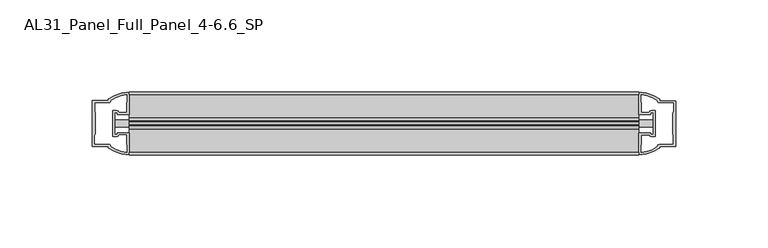
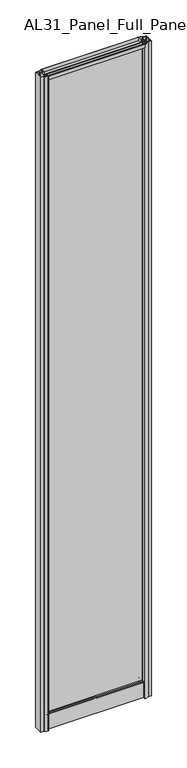
"""IFC4 building model written with IfcOpenShell, lengths in millimetres: plate geometry, AL31_Panel_Full_Panel_4-6.6_SP."""

from ifc_helpers import new_model, si_unit, point, frame, frame_2d, origin, origin_with_axes, place, context, project, spatial, polyline, circle_curve, trimmed, segment, composite_curve, outline, extrude, source, transform, mapped, element, save


def al31_panel_full_panel_4_6_6_sp_a252f88e(model_context):
    return source(origin(), model_context, "Body", "SweptSolid", [
        extrude(outline(composite_curve([segment(polyline([(-1.4, 1968.8980762), (-0.85, 1967.9454483)]), True, "CONTINUOUS"), segment(trimmed(circle_curve(frame_2d((0.1, 1966.3)), 1.9), [point((-0.85, 1967.9454483))], [point((1.05, 1967.9454483))], True, "CARTESIAN"), True, "CONTINUOUS"), segment(polyline([(1.05, 1967.9454483), (1.6, 1968.8980762)]), True, "CONTINUOUS"), segment(trimmed(circle_curve(frame_2d((0.1, 1966.3)), 3.0), [point((1.6, 1968.8980762))], [point((2.5718414, 1964.6))], False, "CARTESIAN"), True, "CONTINUOUS"), segment(polyline([(2.5718414, 1964.6), (15.7, 1964.6), (15.7, 1974.0), (17.0, 1974.0), (17.0, 1963.5), (6.7024688, 1963.5), (6.7024688, 1962.7), (6.1968782, 1960.7785039), (6.1968782, 1956.1), (5.0, 1956.1), (5.0, 1961.4339746), (5.5, 1962.3), (5.5, 1963.5), (-5.5, 1963.5), (-5.5, 1962.3), (-5.0, 1961.4339746), (-5.0, 1956.1), (-6.1968782, 1956.1), (-6.1968782, 1960.7785039), (-6.7024688, 1962.7), (-6.7024688, 1963.5), (-17.0, 1963.5), (-17.0, 1974.0), (-15.7, 1974.0), (-15.7, 1964.6), (-2.3718414, 1964.6)]), True, "CONTINUOUS"), segment(trimmed(circle_curve(frame_2d((0.1, 1966.3)), 3.0), [point((-2.3718414, 1964.6))], [point((-1.4, 1968.8980762))], False, "CARTESIAN"), True, "CONTINUOUS")], self_intersect=False)), frame((-137.8198684, 0.0, 0.0), z_axis=(1.0, 0.0, 0.0), x_axis=(0.0, 1.0, 0.0)), (0.0, 0.0, 1.0), 275.6397368),
        extrude(outline(composite_curve([segment(polyline([(-145.6612898, -5.9), (-144.4612898, -5.9), (-144.4612898, -5.0), (-137.8198684, -5.0), (-137.8198684, -17.0001453)]), True, "CONTINUOUS"), segment(trimmed(circle_curve(frame_2d((-137.4552168, 2.9965302)), 20.0), [point((-137.8198684, -17.0001453))], [point((-149.1757036, -13.2093388))], False, "CARTESIAN"), True, "CONTINUOUS"), segment(polyline([(-149.1757036, -13.2093388), (-149.1757036, -12.3279343), (-157.8198684, -12.3279343), (-157.8198684, 12.3720657), (-149.1757036, 12.3720657), (-149.1757036, 13.2095249)]), True, "CONTINUOUS"), segment(trimmed(circle_curve(frame_2d((-137.4552168, -2.9963441)), 20.0), [point((-149.1757036, 13.2095249))], [point((-137.8198684, 17.0003314))], False, "CARTESIAN"), True, "CONTINUOUS"), segment(polyline([(-137.8198684, 17.0003314), (-137.8198684, 5.0), (-144.4612898, 5.0), (-144.4612898, 5.9), (-145.6612898, 5.9), (-145.6612898, -5.9)]), True, "CONTINUOUS")], self_intersect=False), holes=[composite_curve([segment(trimmed(circle_curve(frame_2d((-144.6612898, 5.7)), 1.5), [point((-144.6612898, 7.2))], [point((-143.3060355, 6.3428731))], False, "CARTESIAN"), True, "CONTINUOUS"), segment(polyline([(-143.3060355, 6.3428731), (-139.5612898, 6.3428731), (-139.5612898, 10.939223), (-139.1219499, 11.9998832), (-139.1219499, 15.6499817)]), True, "CONTINUOUS"), segment(trimmed(circle_curve(frame_2d((-137.4552168, -2.9755921)), 18.7), [point((-139.1219499, 15.6499817))], [point((-147.4619946, 12.8216987))], True, "CARTESIAN"), True, "CONTINUOUS"), segment(trimmed(circle_curve(frame_2d((-149.2612898, 12.8720657)), 1.8), [point((-147.4619946, 12.8216987))], [point((-149.2612898, 11.0720657))], False, "CARTESIAN"), True, "CONTINUOUS"), segment(polyline([(-149.2612898, 11.0720657), (-156.4027111, 11.0720657), (-156.4027111, 6.5019606), (-155.9612898, 5.439223), (-155.9612898, -5.3950916), (-156.4612898, -6.3879987), (-156.4612898, -11.0279343), (-149.2612898, -11.0279343)]), True, "CONTINUOUS"), segment(trimmed(circle_curve(frame_2d((-149.2612898, -12.8279343)), 1.8), [point((-149.2612898, -11.0279343))], [point((-147.4619946, -12.7775673))], False, "CARTESIAN"), True, "CONTINUOUS"), segment(trimmed(circle_curve(frame_2d((-137.4552168, 3.0197235)), 18.7), [point((-147.4619946, -12.7775673))], [point((-139.1219499, -15.6058503))], True, "CARTESIAN"), True, "CONTINUOUS"), segment(polyline([(-139.1219499, -15.6058503), (-139.1219499, -11.9557518), (-139.5612898, -10.8950916), (-139.5612898, -6.2991308), (-143.286138, -6.2991308)]), True, "CONTINUOUS"), segment(trimmed(circle_curve(frame_2d((-144.6612898, -5.7)), 1.5), [point((-143.286138, -6.2991308))], [point((-144.6612898, -7.2))], False, "CARTESIAN"), True, "CONTINUOUS"), segment(polyline([(-144.6612898, -7.2), (-146.9612898, -7.2), (-146.9612898, 7.2), (-144.6612898, 7.2)]), True, "CONTINUOUS")], self_intersect=False)]), origin_with_axes(), (0.0, 0.0, 1.0), 1974.0),
        extrude(outline(composite_curve([segment(polyline([(145.6612898, 5.9), (144.4612898, 5.9), (144.4612898, 5.0), (137.8198684, 5.0), (137.8198684, 17.0001453)]), True, "CONTINUOUS"), segment(trimmed(circle_curve(frame_2d((137.4552168, -2.9965302)), 20.0), [point((137.8198684, 17.0001453))], [point((149.1757036, 13.2093388))], False, "CARTESIAN"), True, "CONTINUOUS"), segment(polyline([(149.1757036, 13.2093388), (149.1757036, 12.3279343), (157.8198684, 12.3279343), (157.8198684, -12.3720657), (149.1757036, -12.3720657), (149.1757036, -13.2095249)]), True, "CONTINUOUS"), segment(trimmed(circle_curve(frame_2d((137.4552168, 2.9963441)), 20.0), [point((149.1757036, -13.2095249))], [point((137.8198684, -17.0003314))], False, "CARTESIAN"), True, "CONTINUOUS"), segment(polyline([(137.8198684, -17.0003314), (137.8198684, -5.0), (144.4612898, -5.0), (144.4612898, -5.9), (145.6612898, -5.9), (145.6612898, 5.9)]), True, "CONTINUOUS")], self_intersect=False), holes=[composite_curve([segment(trimmed(circle_curve(frame_2d((144.6612898, -5.7)), 1.5), [point((144.6612898, -7.2))], [point((143.3060355, -6.3428731))], False, "CARTESIAN"), True, "CONTINUOUS"), segment(polyline([(143.3060355, -6.3428731), (139.5612898, -6.3428731), (139.5612898, -10.939223), (139.1219499, -11.9998832), (139.1219499, -15.6499817)]), True, "CONTINUOUS"), segment(trimmed(circle_curve(frame_2d((137.4552168, 2.9755921)), 18.7), [point((139.1219499, -15.6499817))], [point((147.4619946, -12.8216987))], True, "CARTESIAN"), True, "CONTINUOUS"), segment(trimmed(circle_curve(frame_2d((149.2612898, -12.8720657)), 1.8), [point((147.4619946, -12.8216987))], [point((149.2612898, -11.0720657))], False, "CARTESIAN"), True, "CONTINUOUS"), segment(polyline([(149.2612898, -11.0720657), (156.4027111, -11.0720657), (156.4027111, -6.5019606), (155.9612898, -5.439223), (155.9612898, 5.3950916), (156.4612898, 6.3879987), (156.4612898, 11.0279343), (149.2612898, 11.0279343)]), True, "CONTINUOUS"), segment(trimmed(circle_curve(frame_2d((149.2612898, 12.8279343)), 1.8), [point((149.2612898, 11.0279343))], [point((147.4619946, 12.7775673))], False, "CARTESIAN"), True, "CONTINUOUS"), segment(trimmed(circle_curve(frame_2d((137.4552168, -3.0197235)), 18.7), [point((147.4619946, 12.7775673))], [point((139.1219499, 15.6058503))], True, "CARTESIAN"), True, "CONTINUOUS"), segment(polyline([(139.1219499, 15.6058503), (139.1219499, 11.9557518), (139.5612898, 10.8950916), (139.5612898, 6.2991308), (143.286138, 6.2991308)]), True, "CONTINUOUS"), segment(trimmed(circle_curve(frame_2d((144.6612898, 5.7)), 1.5), [point((143.286138, 6.2991308))], [point((144.6612898, 7.2))], False, "CARTESIAN"), True, "CONTINUOUS"), segment(polyline([(144.6612898, 7.2), (146.9612898, 7.2), (146.9612898, -7.2), (144.6612898, -7.2)]), True, "CONTINUOUS")], self_intersect=False)]), origin_with_axes(), (0.0, 0.0, 1.0), 1974.0),
        extrude(outline(composite_curve([segment(trimmed(circle_curve(frame_2d((-8.4, 34.8)), 1.0), [point((-8.4, 35.8))], [point((-9.4, 34.8))], True, "CARTESIAN"), True, "CONTINUOUS"), segment(polyline([(-9.4, 34.8), (-9.4, 33.5), (-5.0000303, 33.5), (-5.0000303, 32.3), (-9.4, 32.3), (-9.4, 0.0), (-10.6, 0.0), (-10.6, 47.3)]), True, "CONTINUOUS"), segment(trimmed(circle_curve(frame_2d((-8.6, 47.3)), 2.0), [point((-10.6, 47.3))], [point((-8.6, 49.3))], False, "CARTESIAN"), True, "CONTINUOUS"), segment(polyline([(-8.6, 49.3), (-5.0, 49.3), (-5.0, 41.9), (5.0, 41.9), (5.0, 49.3), (8.6, 49.3)]), True, "CONTINUOUS"), segment(trimmed(circle_curve(frame_2d((8.6, 47.3)), 2.0), [point((8.6, 49.3))], [point((10.6, 47.3))], False, "CARTESIAN"), True, "CONTINUOUS"), segment(polyline([(10.6, 47.3), (10.6, 0.0), (9.4, 0.0), (9.4, 32.3), (4.9999697, 32.3), (4.9999697, 33.5), (9.4, 33.5), (9.4, 34.8)]), True, "CONTINUOUS"), segment(trimmed(circle_curve(frame_2d((8.4, 34.8)), 1.0), [point((9.4, 34.8))], [point((8.4, 35.8))], True, "CARTESIAN"), True, "CONTINUOUS"), segment(polyline([(8.4, 35.8), (-8.4, 35.8)]), True, "CONTINUOUS")], self_intersect=False), holes=[composite_curve([segment(trimmed(circle_curve(frame_2d((5.5024688, 41.8)), 1.0), [point((6.5024688, 41.8))], [point((5.5024688, 40.8))], False, "CARTESIAN"), True, "CONTINUOUS"), segment(polyline([(5.5024688, 40.8), (2.8008965, 40.8), (2.8008965, 39.7274194), (1.8370508, 39.7274194)]), True, "CONTINUOUS"), segment(trimmed(circle_curve(frame_2d((0.0, 38.7)), 2.1048387), [point((1.8370508, 39.7274194))], [point((-1.8370508, 39.7274194))], True, "CARTESIAN"), True, "CONTINUOUS"), segment(polyline([(-1.8370508, 39.7274194), (-2.8008965, 39.7274194), (-2.8008965, 40.8), (-5.5024688, 40.8)]), True, "CONTINUOUS"), segment(trimmed(circle_curve(frame_2d((-5.5024688, 41.8)), 1.0), [point((-5.5024688, 40.8))], [point((-6.5024688, 41.8))], False, "CARTESIAN"), True, "CONTINUOUS"), segment(polyline([(-6.5024688, 41.8), (-6.5024688, 42.7)]), True, "CONTINUOUS"), segment(trimmed(circle_curve(frame_2d((-5.3024688, 42.7)), 1.2), [point((-6.5024688, 42.7))], [point((-6.1198184, 43.5786009))], False, "CARTESIAN"), True, "CONTINUOUS"), segment(polyline([(-6.1198184, 43.5786009), (-6.1198184, 48.2), (-8.4, 48.2)]), True, "CONTINUOUS"), segment(trimmed(circle_curve(frame_2d((-8.4, 47.2)), 1.0), [point((-8.4, 48.2))], [point((-9.4, 47.2))], True, "CARTESIAN"), True, "CONTINUOUS"), segment(polyline([(-9.4, 47.2), (-9.4, 37.04), (-2.8008965, 37.04), (-2.8008965, 38.0725806), (-1.8370508, 38.0725806)]), True, "CONTINUOUS"), segment(trimmed(circle_curve(frame_2d((0.0, 39.1)), 2.1048387), [point((-1.8370508, 38.0725806))], [point((1.8370508, 38.0725806))], True, "CARTESIAN"), True, "CONTINUOUS"), segment(polyline([(1.8370508, 38.0725806), (2.8008965, 38.0725806), (2.8008965, 37.04), (9.4, 37.04), (9.4, 47.2)]), True, "CONTINUOUS"), segment(trimmed(circle_curve(frame_2d((8.4, 47.2)), 1.0), [point((9.4, 47.2))], [point((8.4, 48.2))], True, "CARTESIAN"), True, "CONTINUOUS"), segment(polyline([(8.4, 48.2), (6.1198184, 48.2), (6.1198184, 43.7786009)]), True, "CONTINUOUS"), segment(trimmed(circle_curve(frame_2d((5.3024688, 42.9)), 1.2), [point((6.1198184, 43.7786009))], [point((6.5024688, 42.9))], False, "CARTESIAN"), True, "CONTINUOUS"), segment(polyline([(6.5024688, 42.9), (6.5024688, 41.8)]), True, "CONTINUOUS")], self_intersect=False)]), frame((-137.8198684, 0.0, 0.0), z_axis=(1.0, 0.0, 0.0), x_axis=(0.0, 1.0, 0.0)), (0.0, 0.0, 1.0), 275.6397368),
        extrude(outline(polyline([(145.6612898, 2.0), (145.6612898, -2.0), (-145.6612898, -2.0), (-145.6612898, 2.0), (145.6612898, 2.0)])), frame((0.0, 0.0, 41.9), z_axis=(0.0, 0.0, 1.0), x_axis=(1.0, 0.0, 0.0)), (0.0, 0.0, 1.0), 1921.6),
    ])


if __name__ == "__main__":
    model = new_model("IFC4")
    model_context = context("Model", 3, world=origin())
    ifc_project = project(units=[si_unit("LENGTHUNIT", "METRE", prefix="MILLI")], contexts=[model_context])
    site = spatial("IfcSite", under=ifc_project)
    building = spatial("IfcBuilding", under=site)
    placement = place(None, origin())
    al31_panel_full_panel_4_6_6_sp_shape = al31_panel_full_panel_4_6_6_sp_a252f88e(model_context)
    element("IfcPlate", 1, ObjectType="AL31_Panel_Full_Panel_4-6.6_SP", at=placement, inside=building, context=model_context, shape_type="MappedRepresentation", body=[
        mapped(al31_panel_full_panel_4_6_6_sp_shape, transform((0.0, 0.0, 0.0), x_axis=(1.0, 0.0, 0.0), y_axis=(0.0, 1.0, 0.0), z_axis=(0.0, 0.0, 1.0))),
    ])
    save(model, "model.ifc")
